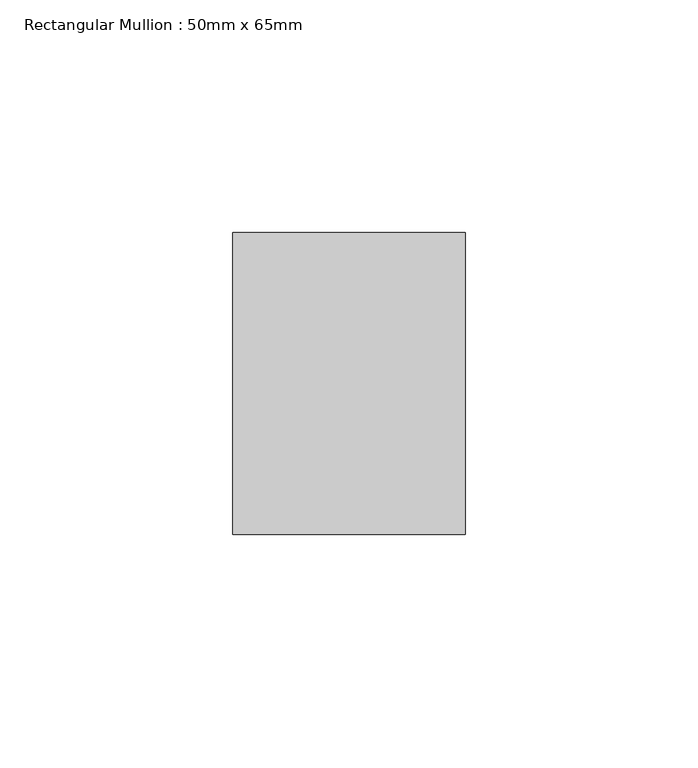
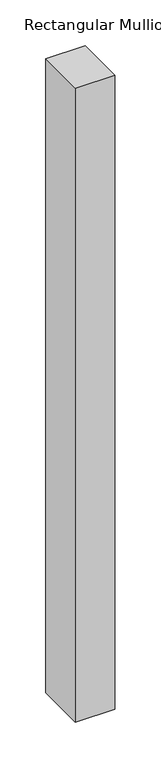
"""IFC4 building model written with IfcOpenShell, lengths in millimetres: member geometry, Rectangular Mullion : 50mm x 65mm."""

from ifc_helpers import new_model, si_unit, frame, origin, place, context, project, spatial, polyline, outline, extrude, source, transform, mapped, element, save


def rectangular_mullion_50mm_x_65mm_acfc61a8(model_context):
    return source(origin(), model_context, "Body", "SweptSolid", [
        extrude(outline(polyline([(25.0, 32.5), (25.0, -32.5), (-25.0, -32.5), (-25.0, 32.5), (25.0, 32.5)])), frame((0.0, 0.0, -846.7250181), z_axis=(0.0, 0.0, 1.0), x_axis=(1.0, 0.0, 0.0)), (0.0, 0.0, 1.0), 846.7250181),
    ])


if __name__ == "__main__":
    model = new_model("IFC4")
    model_context = context("Model", 3, world=origin())
    ifc_project = project(units=[si_unit("LENGTHUNIT", "METRE", prefix="MILLI")], contexts=[model_context])
    site = spatial("IfcSite", under=ifc_project)
    building = spatial("IfcBuilding", under=site)
    placement = place(None, origin())
    rectangular_mullion_50mm_x_65mm_shape = rectangular_mullion_50mm_x_65mm_acfc61a8(model_context)
    element("IfcMember", 1, ObjectType="Rectangular Mullion : 50mm x 65mm", at=placement, inside=building, context=model_context, shape_type="MappedRepresentation", body=[
        mapped(rectangular_mullion_50mm_x_65mm_shape, transform((0.0, 0.0, 0.0), x_axis=(1.0, 0.0, 0.0), y_axis=(0.0, 1.0, 0.0), z_axis=(0.0, 0.0, 1.0))),
    ])
    save(model, "model.ifc")
